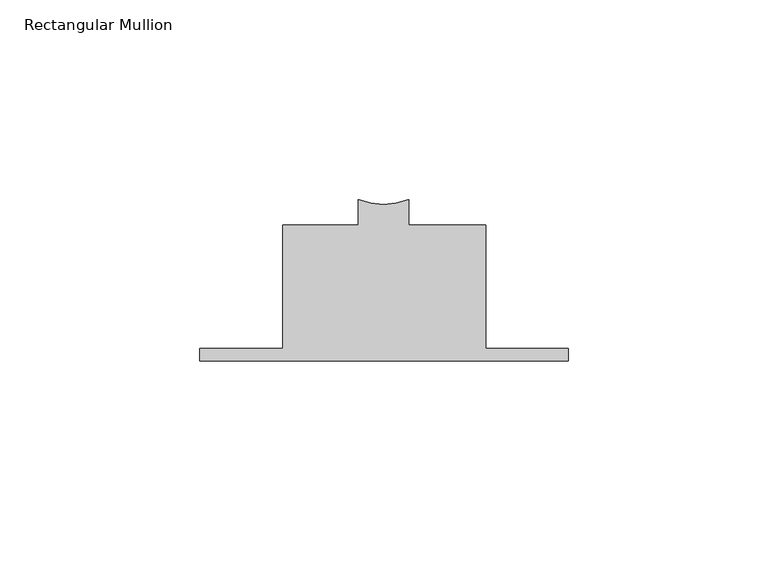
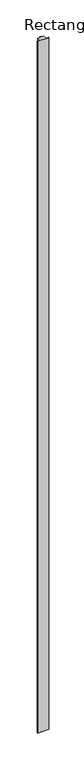
"""IFC4 building model written with IfcOpenShell, lengths in millimetres: member geometry, Rectangular Mullion."""

import ifcopenshell
import ifcopenshell.guid

model = None  # the IFC model being written
_history = None  # IfcOwnerHistory: only IFC2X3 demands one
_inside = {}  # id of a spatial element -> (the spatial element, [elements in it])
_under = {}  # id of a project, library or spatial element -> (it, [spatial elements below it])
_declared = {}  # id of a project -> (the project, [libraries it declares])
_typed = {}  # id of a type object -> (the type object, [elements of that type])
_made_of = {}  # id of a material, layer set ... -> (it, [elements and type objects made of it])


def new_model(schema):
    """Start an empty IFC model of exactly this schema.

    Asked for "IFC4X3", IfcOpenShell would pick the latest addendum, in which some entities
    have other attributes; the version numbers below select the first issue.
    IFC2X3 requires an IfcOwnerHistory on every rooted entity: one is made here for all.
    """
    global model, _history
    if schema == "IFC4X3":
        model = ifcopenshell.file(schema_version=(4, 3, 0, 0))
    else:
        model = ifcopenshell.file(schema=schema)
    _inside.clear()
    _under.clear()
    _declared.clear()
    _typed.clear()
    _made_of.clear()
    _history = None
    if model.schema == "IFC2X3":
        org = make("IfcOrganization", Name="unknown")
        user = make(
            "IfcPersonAndOrganization",
            ThePerson=make("IfcPerson", FamilyName="unknown"),
            TheOrganization=org,
        )
        app = make(
            "IfcApplication",
            ApplicationDeveloper=org,
            Version="unknown",
            ApplicationFullName="unknown",
            ApplicationIdentifier="unknown",
        )
        _history = make(
            "IfcOwnerHistory",
            OwningUser=user,
            OwningApplication=app,
            ChangeAction="ADDED",
            CreationDate=0,
        )
    return model


def make(cls, **values):
    """One entity of the class cls with the attributes given. An attribute that is None is left unset."""
    return model.create_entity(
        cls, **{name: value for name, value in values.items() if value is not None}
    )


def rooted(cls, **values):
    """An entity with a GlobalId (a new one), such as an element, a storey or a relation."""
    return make(cls, GlobalId=ifcopenshell.guid.new(), OwnerHistory=_history, **values)


def si_unit(unit_type, name, prefix=None):
    """IfcSIUnit, for example si_unit("LENGTHUNIT", "METRE", prefix="MILLI")."""
    return make("IfcSIUnit", UnitType=unit_type, Prefix=prefix, Name=name)


def assignment(units):
    """IfcUnitAssignment: the units of a project."""
    return None if units is None else make("IfcUnitAssignment", Units=units)


def point(xyz):
    """IfcCartesianPoint."""
    return None if xyz is None else make("IfcCartesianPoint", Coordinates=xyz)


def direction(xyz):
    """IfcDirection."""
    return None if xyz is None else make("IfcDirection", DirectionRatios=xyz)


def frame(location, z_axis=None, x_axis=None):
    """IfcAxis2Placement3D, a coordinate frame: its origin and axes. An axis left out is left unset."""
    return make(
        "IfcAxis2Placement3D",
        Location=point(location),
        Axis=direction(z_axis),
        RefDirection=direction(x_axis),
    )


def frame_2d(location, x_axis=None):
    """IfcAxis2Placement2D, a coordinate frame in the plane: its origin and x axis."""
    return make(
        "IfcAxis2Placement2D", Location=point(location), RefDirection=direction(x_axis)
    )


def origin():
    """The frame at (0, 0, 0) with its axes left unset."""
    return frame((0.0, 0.0, 0.0))


def place(relative_to, where):
    """IfcLocalPlacement: puts the frame where relative to a parent placement (None: the world)."""
    return make(
        "IfcLocalPlacement", PlacementRelTo=relative_to, RelativePlacement=where
    )


def context(
    kind, dimensions, precision=None, world=None, true_north=None, identifier=None
):
    """IfcGeometricRepresentationContext, for example the 3D "Model" context."""
    return make(
        "IfcGeometricRepresentationContext",
        ContextIdentifier=identifier,
        ContextType=kind,
        CoordinateSpaceDimension=dimensions,
        Precision=precision,
        WorldCoordinateSystem=world,
        TrueNorth=true_north,
    )


def project(units=None, contexts=None):
    """IfcProject with its units and contexts."""
    return rooted(
        "IfcProject",
        Name="project",
        RepresentationContexts=contexts,
        UnitsInContext=assignment(units),
    )


def spatial(cls, under=None, at=None, **own):
    """A site, building, storey or space (cls), placed at a placement, below another one or the project."""
    s = rooted(cls, ObjectPlacement=at, **own)
    if under is not None:
        _under.setdefault(under.id(), (under, []))[1].append(s)
    return s


def polyline(points):
    """IfcPolyline through the points."""
    return make("IfcPolyline", Points=[point(p) for p in points])


def circle_curve(where, radius):
    """IfcCircle in the frame where."""
    return make("IfcCircle", Position=where, Radius=radius)


def trimmed(basis, trim1, trim2, sense, master):
    """IfcTrimmedCurve: the piece of a basis curve between two trims."""
    return make(
        "IfcTrimmedCurve",
        BasisCurve=basis,
        Trim1=trim1,
        Trim2=trim2,
        SenseAgreement=sense,
        MasterRepresentation=master,
    )


def segment(curve, same_sense, transition):
    """IfcCompositeCurveSegment."""
    return make(
        "IfcCompositeCurveSegment",
        Transition=transition,
        SameSense=same_sense,
        ParentCurve=curve,
    )


def composite_curve(segments, self_intersect=None):
    """IfcCompositeCurve: segments joined end to end."""
    return make("IfcCompositeCurve", Segments=segments, SelfIntersect=self_intersect)


def outline(outer, holes=None, kind="AREA"):
    """IfcArbitraryClosedProfileDef: a profile drawn as a closed curve; with holes, ...WithVoids."""
    if holes is None:
        return make("IfcArbitraryClosedProfileDef", ProfileType=kind, OuterCurve=outer)
    return make(
        "IfcArbitraryProfileDefWithVoids",
        ProfileType=kind,
        OuterCurve=outer,
        InnerCurves=holes,
    )


def extrude(swept, where, along, depth):
    """IfcExtrudedAreaSolid: the profile swept, set in the frame where, extruded along a direction by depth."""
    return make(
        "IfcExtrudedAreaSolid",
        SweptArea=swept,
        Position=where,
        ExtrudedDirection=direction(along),
        Depth=depth,
    )


def shape(context_of_items, identifier, shape_type, items):
    """IfcShapeRepresentation: the items that make up one representation, for example the "Body"."""
    return make(
        "IfcShapeRepresentation",
        ContextOfItems=context_of_items,
        RepresentationIdentifier=identifier,
        RepresentationType=shape_type,
        Items=items,
    )


def source(mapping_origin, context_of_items, identifier, shape_type, items):
    """IfcRepresentationMap: a shape defined once, which mapped items show again and again."""
    return make(
        "IfcRepresentationMap",
        MappingOrigin=mapping_origin,
        MappedRepresentation=shape(context_of_items, identifier, shape_type, items),
    )


def transform(
    local_origin,
    x_axis=None,
    y_axis=None,
    z_axis=None,
    scale=None,
    scale2=None,
    scale3=None,
    uniform=True,
):
    """IfcCartesianTransformationOperator3D, or its non-uniform kind. x_axis, y_axis, z_axis: its Axis1, 2, 3."""
    if uniform:
        return make(
            "IfcCartesianTransformationOperator3D",
            Axis1=direction(x_axis),
            Axis2=direction(y_axis),
            LocalOrigin=point(local_origin),
            Scale=scale,
            Axis3=direction(z_axis),
        )
    return make(
        "IfcCartesianTransformationOperator3DnonUniform",
        Axis1=direction(x_axis),
        Axis2=direction(y_axis),
        LocalOrigin=point(local_origin),
        Scale=scale,
        Axis3=direction(z_axis),
        Scale2=scale2,
        Scale3=scale3,
    )


def mapped(mapping_source, mapping_target):
    """IfcMappedItem: shows the shape of a source again, moved by a transform."""
    return make(
        "IfcMappedItem", MappingSource=mapping_source, MappingTarget=mapping_target
    )


def made_of(thing, what):
    """Note that an element or type object is made of a material, layer set ...; save() writes the relation."""
    if what is not None:
        _made_of.setdefault(what.id(), (what, []))[1].append(thing)
    return thing


def element(
    cls,
    number,
    at=None,
    inside=None,
    cuts=None,
    type_object=None,
    material=None,
    context=None,
    identifier="Body",
    shape_type=None,
    held_by="IfcProductDefinitionShape",
    body=None,
    shapes=None,
    **own,
):
    """One element of the class cls, such as IfcWall. Its Tag is "e" and its number.

    at: its placement. inside: the storey or other place that contains it. cuts: it is an
    opening in that element (IfcRelVoidsElement). A single representation is given by context,
    identifier, shape_type and body (its items); several are given by shapes. held_by: the class
    of the entity that holds the representations. save() writes the other relations.
    """
    e = rooted(cls, Tag="e%d" % number, ObjectPlacement=at, **own)
    if body is not None:
        shapes = [shape(context, identifier, shape_type, body)]
    if shapes is not None:
        e.Representation = make(held_by, Representations=shapes)
    if inside is not None:
        _inside.setdefault(inside.id(), (inside, []))[1].append(e)
    if cuts is not None:
        rooted(
            "IfcRelVoidsElement", RelatingBuildingElement=cuts, RelatedOpeningElement=e
        )
    if type_object is not None:
        _typed.setdefault(type_object.id(), (type_object, []))[1].append(e)
    return made_of(e, material)


def aggregate(whole, parts):
    """IfcRelAggregates: a whole, such as a stair, and the parts it consists of."""
    return rooted("IfcRelAggregates", RelatingObject=whole, RelatedObjects=parts)


def save(model, path):
    """Write the relations noted so far, then the file.

    IfcRelAggregates (storeys below a building ...), IfcRelContainedInSpatialStructure (elements
    in a storey), IfcRelDefinesByType, IfcRelAssociatesMaterial and IfcRelDeclares: one each for
    every whole, place, type object, material and project.
    """
    for whole, parts in _under.values():
        aggregate(whole, parts)
    for where, things in _inside.values():
        rooted(
            "IfcRelContainedInSpatialStructure",
            RelatedElements=things,
            RelatingStructure=where,
        )
    for kind, things in _typed.values():
        rooted("IfcRelDefinesByType", RelatedObjects=things, RelatingType=kind)
    for what, things in _made_of.values():
        rooted("IfcRelAssociatesMaterial", RelatedObjects=things, RelatingMaterial=what)
    for by, libraries in _declared.values():
        rooted("IfcRelDeclares", RelatingContext=by, RelatedDefinitions=libraries)
    model.write(path)


def rectangular_mullion_f1695f5e(model_context):
    return source(origin(), model_context, "Body", "SweptSolid", [
        extrude(outline(composite_curve([segment(polyline([(25.5485368, -4.228156), (25.5485368, -35.012956), (46.1860368, -35.012956), (46.1860368, -38.187956), (-45.8889632, -38.187956), (-45.8889632, -35.012956), (-25.2336832, -35.012956), (-25.2336832, -4.228156), (-6.35, -4.228156), (-6.35, 2.1656932)]), True, "CONTINUOUS"), segment(trimmed(circle_curve(frame_2d((0.0, 19.1507049)), 18.133205), [point((-6.35, 2.1656932))], [point((6.35, 2.1656932))], True, "CARTESIAN"), True, "CONTINUOUS"), segment(polyline([(6.35, 2.1656932), (6.35, -4.228156), (25.5485368, -4.228156)]), True, "CONTINUOUS")], self_intersect=False)), frame((0.0, 0.0, -6096.0), z_axis=(0.0, 0.0, 1.0), x_axis=(1.0, 0.0, 0.0)), (0.0, 0.0, 1.0), 6096.0),
    ])


if __name__ == "__main__":
    model = new_model("IFC4")
    model_context = context("Model", 3, world=origin())
    ifc_project = project(units=[si_unit("LENGTHUNIT", "METRE", prefix="MILLI")], contexts=[model_context])
    site = spatial("IfcSite", under=ifc_project)
    building = spatial("IfcBuilding", under=site)
    placement = place(None, origin())
    rectangular_mullion_shape = rectangular_mullion_f1695f5e(model_context)
    element("IfcMember", 1, ObjectType="Rectangular Mullion", at=placement, inside=building, context=model_context, shape_type="MappedRepresentation", body=[
        mapped(rectangular_mullion_shape, transform((0.0, 0.0, 0.0), x_axis=(1.0, 0.0, 0.0), y_axis=(0.0, 1.0, 0.0), z_axis=(0.0, 0.0, 1.0))),
    ])
    save(model, "model.ifc")
